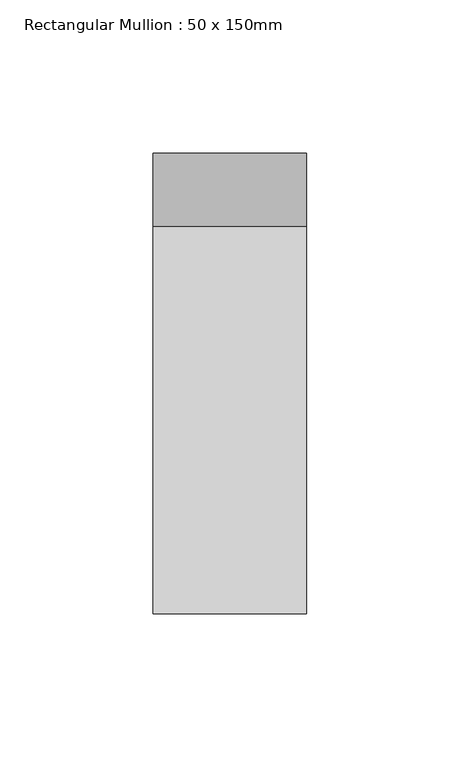
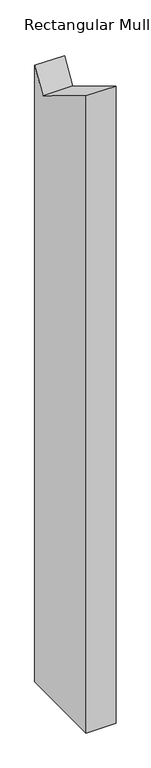
"""IFC4 building model written with IfcOpenShell, lengths in millimetres: member geometry, Rectangular Mullion : 50 x 150mm."""

from ifc_helpers import new_model, si_unit, frame, origin, place, context, project, spatial, polyline, outline, extrude, source, transform, mapped, element, save


def rectangular_mullion_50_x_150mm_f320cc69(model_context):
    return source(origin(), model_context, "Body", "SweptSolid", [
        extrude(outline(polyline([(-75.0, 40.9549258), (51.3716673, -35.0911957), (75.0, 4.1738154), (75.0, -1090.7827182), (-75.0, -1090.7827182), (-75.0, 40.9549258)])), frame((-50.0, 0.0, 0.0), z_axis=(1.0, 0.0, 0.0), x_axis=(0.0, 1.0, 0.0)), (0.0, 0.0, 1.0), 50.0),
    ])


if __name__ == "__main__":
    model = new_model("IFC4")
    model_context = context("Model", 3, world=origin())
    ifc_project = project(units=[si_unit("LENGTHUNIT", "METRE", prefix="MILLI")], contexts=[model_context])
    site = spatial("IfcSite", under=ifc_project)
    building = spatial("IfcBuilding", under=site)
    placement = place(None, origin())
    rectangular_mullion_50_x_150mm_shape = rectangular_mullion_50_x_150mm_f320cc69(model_context)
    element("IfcMember", 1, ObjectType="Rectangular Mullion : 50 x 150mm", at=placement, inside=building, context=model_context, shape_type="MappedRepresentation", body=[
        mapped(rectangular_mullion_50_x_150mm_shape, transform((0.0, 0.0, 0.0), x_axis=(1.0, 0.0, 0.0), y_axis=(0.0, 1.0, 0.0), z_axis=(0.0, 0.0, 1.0))),
    ])
    save(model, "model.ifc")
